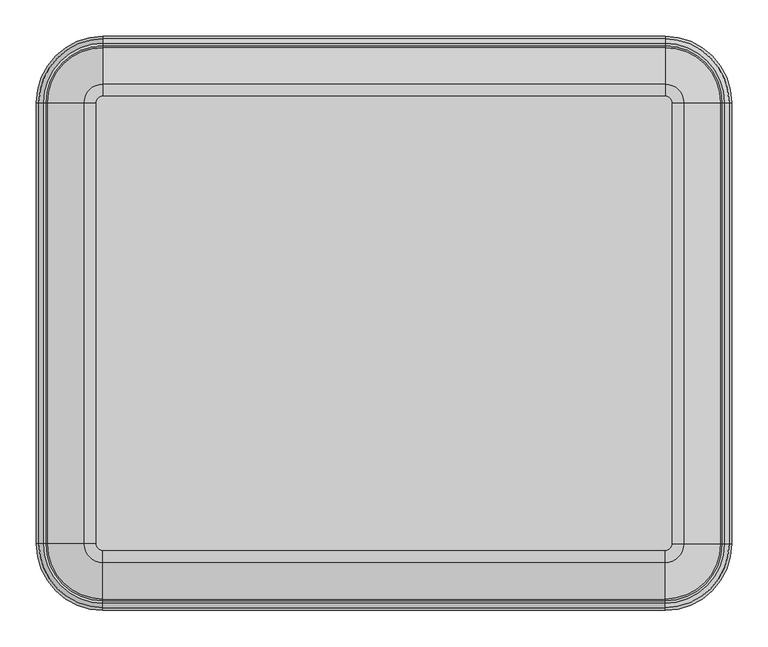
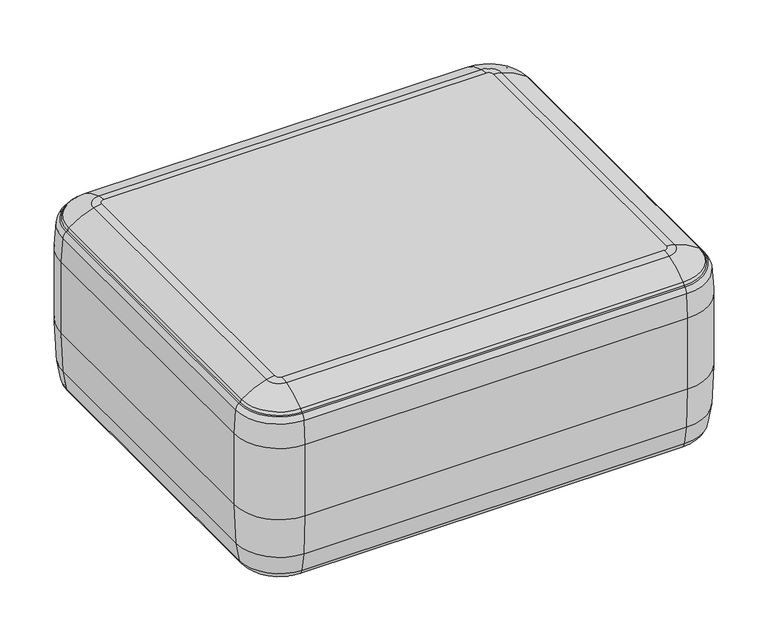
"""IFC4 building model written with IfcOpenShell, lengths in millimetres: furniture geometry."""

from ifc_helpers import new_model, si_unit, point, frame, origin, origin_with_axes, place, context, project, spatial, polyline, circle_curve, ellipse_curve, trimmed, outline, extrude, source, transform, mapped, element, save
from ifc_brep_helpers import plane_surface, cylinder_surface, revolved_surface, advanced_brep


def furniture_dccef0ce(model_context):
    return source(origin(), model_context, "Body", "SolidModel", [
        advanced_brep(
        [(-387.3387268, 391.2847288, 66.6428027), (-475.0405417, 303.5829138, 66.6428027), (-478.7787268, 303.5829138, 150.0055551), (-387.3387268, 395.0229138, 150.0055551), (-387.3387268, 384.0850563, 26.6784113), (-467.8408692, 303.5829138, 26.6784113), (-387.3387268, 362.6354646, 10.3055551), (-446.3912775, 303.5829138, 10.3055551), (386.8726563, 395.0229138, 150.0055551), (386.8726563, 391.2847288, 66.6428027), (386.8726563, 384.0850563, 26.6784113), (386.8726563, 362.6354646, 10.3055551), (478.3126563, 303.5829138, 150.0055551), (474.5744712, 303.5829138, 66.6428027), (467.3747987, 303.5829138, 26.6784113), (445.925207, 303.5829138, 10.3055551), (478.3126563, -303.5829138, 150.0055551), (474.5744712, -303.5829138, 66.6428027), (467.3747987, -303.5829138, 26.6784113), (445.925207, -303.5829138, 10.3055551), (386.8726563, -395.0229138, 150.0055551), (386.8726563, -391.2847288, 66.6428027), (386.8726563, -384.0850563, 26.6784113), (386.8726563, -362.6354646, 10.3055551), (-387.3387268, -395.0229138, 150.0055551), (-387.3387268, -391.2847288, 66.6428027), (-387.3387268, -384.0850563, 26.6784113), (-387.3387268, -362.6354646, 10.3055551), (-478.7787268, -303.5829138, 150.0055551), (-475.0405417, -303.5829138, 66.6428027), (-467.8408692, -303.5829138, 26.6784113), (-446.3912775, -303.5829138, 10.3055551), (-396.2287268, 303.5829138, 397.6555551), (-396.2287268, -303.5829138, 397.6555551), (-387.3387268, -312.4729138, 397.6555551), (386.8726563, -312.4729138, 397.6555551), (395.7626563, -303.5829138, 397.6555551), (395.7626563, 303.5829138, 397.6555551), (386.8726563, 312.4729138, 397.6555551), (-387.3387268, 312.4729138, 397.6555551), (-387.3387268, 329.1183199, 395.3686884), (-412.8741329, 303.5829138, 395.3686884), (-387.3387268, 379.4573105, 369.9277622), (-463.2131235, 303.5829138, 369.9277622), (-387.3387268, 391.4318128, 352.1420231), (-475.1876258, 303.5829138, 352.1420231), (-469.1163141, 303.5829138, 363.2430683), (-387.3387268, 385.3605011, 363.2430683), (-387.3387268, 395.0229138, 302.4055551), (-478.7787268, 303.5829138, 302.4055551), (386.8726563, 329.1183199, 395.3686884), (386.8726563, 379.4573105, 369.9277622), (386.8726563, 385.3605011, 363.2430683), (386.8726563, 391.4318128, 352.1420231), (386.8726563, 395.0229138, 302.4055551), (412.4080624, 303.5829138, 395.3686884), (462.747053, 303.5829138, 369.9277622), (468.6502436, 303.5829138, 363.2430683), (474.7215553, 303.5829138, 352.1420231), (478.3126563, 303.5829138, 302.4055551), (412.4080624, -303.5829138, 395.3686884), (462.747053, -303.5829138, 369.9277622), (468.6502436, -303.5829138, 363.2430683), (474.7215553, -303.5829138, 352.1420231), (478.3126563, -303.5829138, 302.4055551), (386.8726563, -329.1183199, 395.3686884), (386.8726563, -379.4573105, 369.9277622), (386.8726563, -385.3605011, 363.2430683), (386.8726563, -391.4318128, 352.1420231), (386.8726563, -395.0229138, 302.4055551), (-387.3387268, -329.1183199, 395.3686884), (-387.3387268, -379.4573105, 369.9277622), (-387.3387268, -385.3605011, 363.2430683), (-387.3387268, -391.4318128, 352.1420231), (-387.3387268, -395.0229138, 302.4055551), (-412.8741329, -303.5829138, 395.3686884), (-463.2131235, -303.5829138, 369.9277622), (-469.1163141, -303.5829138, 363.2430683), (-475.1876258, -303.5829138, 352.1420231), (-478.7787268, -303.5829138, 302.4055551), (-387.3387268, 381.4510186, 363.5559782), (-465.2068316, 303.5829138, 363.5559782), (386.8726563, 381.4510186, 363.5559782), (464.7407611, 303.5829138, 363.5559782), (464.7407611, -303.5829138, 363.5559782), (386.8726563, -381.4510186, 363.5559782), (-387.3387268, -381.4510186, 363.5559782), (-465.2068316, -303.5829138, 363.5559782)],
        [
            (0, 1, circle_curve(frame((-387.3387268, 303.5829138, 66.6428027), z_axis=(0.0, 0.0, 1.0), x_axis=(-1.0, 0.0, 0.0)), 87.7018149)),
            (1, 2, circle_curve(frame((452.5987211, 303.5829138, 150.0055551), z_axis=(0.0, 1.0, 0.0), x_axis=(-1.0, 0.0, 0.0)), 931.3774478)),
            (2, 3, circle_curve(frame((-387.3387268, 303.5829138, 150.0055551), z_axis=(0.0, 0.0, -1.0), x_axis=(-1.0, 0.0, 0.0)), 91.44)),
            (3, 0, circle_curve(frame((-387.3387268, -536.354534, 150.0055551), z_axis=(-1.0, 0.0, 0.0), x_axis=(0.0, 1.0, 0.0)), 931.3774478)),
            (0, 4, circle_curve(frame((-387.3387268, 162.7824817, 87.177268), z_axis=(-1.0, 0.0, 0.0), x_axis=(0.0, 1.0, 0.0)), 229.4230615)),
            (4, 5, circle_curve(frame((-387.3387268, 303.5829138, 26.6784113), z_axis=(0.0, 0.0, 1.0), x_axis=(-1.0, 0.0, 0.0)), 80.5021425)),
            (5, 1, circle_curve(frame((-246.5382947, 303.5829138, 87.177268), z_axis=(0.0, 1.0, 0.0), x_axis=(-1.0, 0.0, 0.0)), 229.4230615)),
            (4, 6, circle_curve(frame((-387.3387268, 362.6354646, 32.5422191), z_axis=(-1.0, 0.0, 0.0), x_axis=(0.0, 1.0, 0.0)), 22.236664)),
            (6, 7, circle_curve(frame((-387.3387268, 303.5829138, 10.3055551), z_axis=(0.0, 0.0, 1.0), x_axis=(-1.0, 0.0, 0.0)), 59.0525507)),
            (7, 5, circle_curve(frame((-446.3912775, 303.5829138, 32.5422191), z_axis=(0.0, 1.0, 0.0), x_axis=(-1.0, 0.0, 0.0)), 22.236664)),
            (3, 8),
            (8, 9, circle_curve(frame((386.8726563, -536.354534, 150.0055551), z_axis=(-1.0, 0.0, 0.0), x_axis=(0.0, 1.0, 0.0)), 931.3774478)),
            (9, 0),
            (9, 10, circle_curve(frame((386.8726563, 162.7824817, 87.177268), z_axis=(-1.0, 0.0, 0.0), x_axis=(0.0, 1.0, 0.0)), 229.4230615)),
            (10, 4),
            (10, 11, circle_curve(frame((386.8726563, 362.6354646, 32.5422191), z_axis=(-1.0, 0.0, 0.0), x_axis=(0.0, 1.0, 0.0)), 22.236664)),
            (11, 6),
            (8, 12, circle_curve(frame((386.8726563, 303.5829138, 150.0055551), z_axis=(0.0, 0.0, -1.0), x_axis=(0.0, 1.0, 0.0)), 91.44)),
            (12, 13, circle_curve(frame((-453.0647915, 303.5829138, 150.0055551), z_axis=(0.0, 1.0, 0.0), x_axis=(1.0, 0.0, 0.0)), 931.3774478)),
            (13, 9, circle_curve(frame((386.8726563, 303.5829138, 66.6428027), z_axis=(0.0, 0.0, 1.0), x_axis=(0.0, 1.0, 0.0)), 87.7018149)),
            (13, 14, circle_curve(frame((246.0722242, 303.5829138, 87.177268), z_axis=(0.0, 1.0, 0.0), x_axis=(1.0, 0.0, 0.0)), 229.4230615)),
            (14, 10, circle_curve(frame((386.8726563, 303.5829138, 26.6784113), z_axis=(0.0, 0.0, 1.0), x_axis=(0.0, 1.0, 0.0)), 80.5021425)),
            (14, 15, circle_curve(frame((445.925207, 303.5829138, 32.5422191), z_axis=(0.0, 1.0, 0.0), x_axis=(1.0, 0.0, 0.0)), 22.236664)),
            (15, 11, circle_curve(frame((386.8726563, 303.5829138, 10.3055551), z_axis=(0.0, 0.0, 1.0), x_axis=(0.0, 1.0, 0.0)), 59.0525507)),
            (12, 16),
            (16, 17, circle_curve(frame((-453.0647915, -303.5829138, 150.0055551), z_axis=(0.0, 1.0, 0.0), x_axis=(1.0, 0.0, 0.0)), 931.3774478)),
            (17, 13),
            (17, 18, circle_curve(frame((246.0722242, -303.5829138, 87.177268), z_axis=(0.0, 1.0, 0.0), x_axis=(1.0, 0.0, 0.0)), 229.4230615)),
            (18, 14),
            (18, 19, circle_curve(frame((445.925207, -303.5829138, 32.5422191), z_axis=(0.0, 1.0, 0.0), x_axis=(1.0, 0.0, 0.0)), 22.236664)),
            (19, 15),
            (16, 20, circle_curve(frame((386.8726563, -303.5829138, 150.0055551), z_axis=(0.0, 0.0, -1.0), x_axis=(1.0, 0.0, 0.0)), 91.44)),
            (20, 21, circle_curve(frame((386.8726563, 536.354534, 150.0055551), z_axis=(1.0, 0.0, 0.0), x_axis=(0.0, -1.0, 0.0)), 931.3774478)),
            (21, 17, circle_curve(frame((386.8726563, -303.5829138, 66.6428027), z_axis=(0.0, 0.0, 1.0), x_axis=(1.0, 0.0, 0.0)), 87.7018149)),
            (21, 22, circle_curve(frame((386.8726563, -162.7824817, 87.177268), z_axis=(1.0, 0.0, 0.0), x_axis=(0.0, -1.0, 0.0)), 229.4230615)),
            (22, 18, circle_curve(frame((386.8726563, -303.5829138, 26.6784113), z_axis=(0.0, 0.0, 1.0), x_axis=(1.0, 0.0, 0.0)), 80.5021425)),
            (22, 23, circle_curve(frame((386.8726563, -362.6354646, 32.5422191), z_axis=(1.0, 0.0, 0.0), x_axis=(0.0, -1.0, 0.0)), 22.236664)),
            (23, 19, circle_curve(frame((386.8726563, -303.5829138, 10.3055551), z_axis=(0.0, 0.0, 1.0), x_axis=(1.0, 0.0, 0.0)), 59.0525507)),
            (20, 24),
            (24, 25, circle_curve(frame((-387.3387268, 536.354534, 150.0055551), z_axis=(1.0, 0.0, 0.0), x_axis=(0.0, -1.0, 0.0)), 931.3774478)),
            (25, 21),
            (25, 26, circle_curve(frame((-387.3387268, -162.7824817, 87.177268), z_axis=(1.0, 0.0, 0.0), x_axis=(0.0, -1.0, 0.0)), 229.4230615)),
            (26, 22),
            (26, 27, circle_curve(frame((-387.3387268, -362.6354646, 32.5422191), z_axis=(1.0, 0.0, 0.0), x_axis=(0.0, -1.0, 0.0)), 22.236664)),
            (27, 23),
            (24, 28, circle_curve(frame((-387.3387268, -303.5829138, 150.0055551), z_axis=(0.0, 0.0, -1.0), x_axis=(0.0, -1.0, 0.0)), 91.44)),
            (28, 29, circle_curve(frame((452.5987211, -303.5829138, 150.0055551), z_axis=(0.0, -1.0, 0.0), x_axis=(-1.0, 0.0, 0.0)), 931.3774478)),
            (29, 25, circle_curve(frame((-387.3387268, -303.5829138, 66.6428027), z_axis=(0.0, 0.0, 1.0), x_axis=(0.0, -1.0, 0.0)), 87.7018149)),
            (29, 30, circle_curve(frame((-246.5382947, -303.5829138, 87.177268), z_axis=(0.0, -1.0, 0.0), x_axis=(-1.0, 0.0, 0.0)), 229.4230615)),
            (30, 26, circle_curve(frame((-387.3387268, -303.5829138, 26.6784113), z_axis=(0.0, 0.0, 1.0), x_axis=(0.0, -1.0, 0.0)), 80.5021425)),
            (30, 31, circle_curve(frame((-446.3912775, -303.5829138, 32.5422191), z_axis=(0.0, -1.0, 0.0), x_axis=(-1.0, 0.0, 0.0)), 22.236664)),
            (31, 27, circle_curve(frame((-387.3387268, -303.5829138, 10.3055551), z_axis=(0.0, 0.0, 1.0), x_axis=(0.0, -1.0, 0.0)), 59.0525507)),
            (1, 29),
            (28, 2),
            (5, 30),
            (7, 31),
            (32, 33),
            (33, 34, circle_curve(frame((-387.3387268, -303.5829138, 397.6555551), z_axis=(0.0, 0.0, 1.0), x_axis=(0.0, -1.0, 0.0)), 8.89)),
            (34, 35),
            (35, 36, circle_curve(frame((386.8726563, -303.5829138, 397.6555551), z_axis=(0.0, 0.0, 1.0), x_axis=(1.0, 0.0, 0.0)), 8.89)),
            (36, 37),
            (37, 38, circle_curve(frame((386.8726563, 303.5829138, 397.6555551), z_axis=(0.0, 0.0, 1.0), x_axis=(0.0, 1.0, 0.0)), 8.89)),
            (38, 39),
            (39, 32, circle_curve(frame((-387.3387268, 303.5829138, 397.6555551), z_axis=(0.0, 0.0, 1.0), x_axis=(-1.0, 0.0, 0.0)), 8.89)),
            (39, 40, circle_curve(frame((-387.3387268, 312.4729138, 335.9337006), z_axis=(-1.0, 0.0, 0.0), x_axis=(0.0, 1.0, 0.0)), 61.7218545)),
            (40, 41, circle_curve(frame((-387.3387268, 303.5829138, 395.3686884), z_axis=(0.0, 0.0, 1.0), x_axis=(-1.0, 0.0, 0.0)), 25.5354061)),
            (41, 32, circle_curve(frame((-396.2287268, 303.5829138, 335.9337006), z_axis=(0.0, 1.0, 0.0), x_axis=(-1.0, 0.0, 0.0)), 61.7218545)),
            (40, 42, circle_curve(frame((-387.3387268, 289.8452746, 255.1382274), z_axis=(-1.0, 0.0, 0.0), x_axis=(0.0, 1.0, 0.0)), 145.6260769)),
            (42, 43, circle_curve(frame((-387.3387268, 303.5829138, 369.9277622), z_axis=(0.0, 0.0, 1.0), x_axis=(-1.0, 0.0, 0.0)), 75.8743967)),
            (43, 41, circle_curve(frame((-373.6010876, 303.5829138, 255.1382274), z_axis=(0.0, 1.0, 0.0), x_axis=(-1.0, 0.0, 0.0)), 145.6260769)),
            (44, 45, circle_curve(frame((-387.3387268, 303.5829138, 352.1420231), z_axis=(0.0, 0.0, 1.0), x_axis=(-1.0, 0.0, 0.0)), 87.848899)),
            (45, 46, circle_curve(frame((-457.2393124, 303.5829138, 349.5366117), z_axis=(0.0, 1.0, 0.0), x_axis=(-1.0, 0.0, 0.0)), 18.1364308)),
            (46, 47, circle_curve(frame((-387.3387268, 303.5829138, 363.2430683), z_axis=(0.0, 0.0, -1.0), x_axis=(-1.0, 0.0, 0.0)), 81.7775873)),
            (47, 44, circle_curve(frame((-387.3387268, 373.4834994, 349.5366117), z_axis=(-1.0, 0.0, 0.0), x_axis=(0.0, 1.0, 0.0)), 18.1364308)),
            (44, 48, circle_curve(frame((-387.3387268, 48.8042689, 302.4055551), z_axis=(-1.0, 0.0, 0.0), x_axis=(0.0, 1.0, 0.0)), 346.2186449)),
            (48, 49, circle_curve(frame((-387.3387268, 303.5829138, 302.4055551), z_axis=(0.0, 0.0, 1.0), x_axis=(-1.0, 0.0, 0.0)), 91.44)),
            (49, 45, circle_curve(frame((-132.5600819, 303.5829138, 302.4055551), z_axis=(0.0, 1.0, 0.0), x_axis=(-1.0, 0.0, 0.0)), 346.2186449)),
            (2, 49),
            (48, 3),
            (38, 50, circle_curve(frame((386.8726563, 312.4729138, 335.9337006), z_axis=(-1.0, 0.0, 0.0), x_axis=(0.0, 1.0, 0.0)), 61.7218545)),
            (50, 40),
            (50, 51, circle_curve(frame((386.8726563, 289.8452746, 255.1382274), z_axis=(-1.0, 0.0, 0.0), x_axis=(0.0, 1.0, 0.0)), 145.6260769)),
            (51, 42),
            (47, 52),
            (52, 53, circle_curve(frame((386.8726563, 373.4834994, 349.5366117), z_axis=(-1.0, 0.0, 0.0), x_axis=(0.0, 1.0, 0.0)), 18.1364308)),
            (53, 44),
            (53, 54, circle_curve(frame((386.8726563, 48.8042689, 302.4055551), z_axis=(-1.0, 0.0, 0.0), x_axis=(0.0, 1.0, 0.0)), 346.2186449)),
            (54, 48),
            (54, 8),
            (37, 55, circle_curve(frame((395.7626563, 303.5829138, 335.9337006), z_axis=(0.0, 1.0, 0.0), x_axis=(1.0, 0.0, 0.0)), 61.7218545)),
            (55, 50, circle_curve(frame((386.8726563, 303.5829138, 395.3686884), z_axis=(0.0, 0.0, 1.0), x_axis=(0.0, 1.0, 0.0)), 25.5354061)),
            (55, 56, circle_curve(frame((373.1350171, 303.5829138, 255.1382274), z_axis=(0.0, 1.0, 0.0), x_axis=(1.0, 0.0, 0.0)), 145.6260769)),
            (56, 51, circle_curve(frame((386.8726563, 303.5829138, 369.9277622), z_axis=(0.0, 0.0, 1.0), x_axis=(0.0, 1.0, 0.0)), 75.8743967)),
            (52, 57, circle_curve(frame((386.8726563, 303.5829138, 363.2430683), z_axis=(0.0, 0.0, -1.0), x_axis=(0.0, 1.0, 0.0)), 81.7775873)),
            (57, 58, circle_curve(frame((456.7732419, 303.5829138, 349.5366117), z_axis=(0.0, 1.0, 0.0), x_axis=(1.0, 0.0, 0.0)), 18.1364308)),
            (58, 53, circle_curve(frame((386.8726563, 303.5829138, 352.1420231), z_axis=(0.0, 0.0, 1.0), x_axis=(0.0, 1.0, 0.0)), 87.848899)),
            (58, 59, circle_curve(frame((132.0940114, 303.5829138, 302.4055551), z_axis=(0.0, 1.0, 0.0), x_axis=(1.0, 0.0, 0.0)), 346.2186449)),
            (59, 54, circle_curve(frame((386.8726563, 303.5829138, 302.4055551), z_axis=(0.0, 0.0, 1.0), x_axis=(0.0, 1.0, 0.0)), 91.44)),
            (59, 12),
            (36, 60, circle_curve(frame((395.7626563, -303.5829138, 335.9337006), z_axis=(0.0, 1.0, 0.0), x_axis=(1.0, 0.0, 0.0)), 61.7218545)),
            (60, 55),
            (60, 61, circle_curve(frame((373.1350171, -303.5829138, 255.1382274), z_axis=(0.0, 1.0, 0.0), x_axis=(1.0, 0.0, 0.0)), 145.6260769)),
            (61, 56),
            (57, 62),
            (62, 63, circle_curve(frame((456.7732419, -303.5829138, 349.5366117), z_axis=(0.0, 1.0, 0.0), x_axis=(1.0, 0.0, 0.0)), 18.1364308)),
            (63, 58),
            (63, 64, circle_curve(frame((132.0940114, -303.5829138, 302.4055551), z_axis=(0.0, 1.0, 0.0), x_axis=(1.0, 0.0, 0.0)), 346.2186449)),
            (64, 59),
            (64, 16),
            (35, 65, circle_curve(frame((386.8726563, -312.4729138, 335.9337006), z_axis=(1.0, 0.0, 0.0), x_axis=(0.0, -1.0, 0.0)), 61.7218545)),
            (65, 60, circle_curve(frame((386.8726563, -303.5829138, 395.3686884), z_axis=(0.0, 0.0, 1.0), x_axis=(1.0, 0.0, 0.0)), 25.5354061)),
            (65, 66, circle_curve(frame((386.8726563, -289.8452746, 255.1382274), z_axis=(1.0, 0.0, 0.0), x_axis=(0.0, -1.0, 0.0)), 145.6260769)),
            (66, 61, circle_curve(frame((386.8726563, -303.5829138, 369.9277622), z_axis=(0.0, 0.0, 1.0), x_axis=(1.0, 0.0, 0.0)), 75.8743967)),
            (62, 67, circle_curve(frame((386.8726563, -303.5829138, 363.2430683), z_axis=(0.0, 0.0, -1.0), x_axis=(1.0, 0.0, 0.0)), 81.7775873)),
            (67, 68, circle_curve(frame((386.8726563, -373.4834994, 349.5366117), z_axis=(1.0, 0.0, 0.0), x_axis=(0.0, -1.0, 0.0)), 18.1364308)),
            (68, 63, circle_curve(frame((386.8726563, -303.5829138, 352.1420231), z_axis=(0.0, 0.0, 1.0), x_axis=(1.0, 0.0, 0.0)), 87.848899)),
            (68, 69, circle_curve(frame((386.8726563, -48.8042689, 302.4055551), z_axis=(1.0, 0.0, 0.0), x_axis=(0.0, -1.0, 0.0)), 346.2186449)),
            (69, 64, circle_curve(frame((386.8726563, -303.5829138, 302.4055551), z_axis=(0.0, 0.0, 1.0), x_axis=(1.0, 0.0, 0.0)), 91.44)),
            (69, 20),
            (34, 70, circle_curve(frame((-387.3387268, -312.4729138, 335.9337006), z_axis=(1.0, 0.0, 0.0), x_axis=(0.0, -1.0, 0.0)), 61.7218545)),
            (70, 65),
            (70, 71, circle_curve(frame((-387.3387268, -289.8452746, 255.1382274), z_axis=(1.0, 0.0, 0.0), x_axis=(0.0, -1.0, 0.0)), 145.6260769)),
            (71, 66),
            (67, 72),
            (72, 73, circle_curve(frame((-387.3387268, -373.4834994, 349.5366117), z_axis=(1.0, 0.0, 0.0), x_axis=(0.0, -1.0, 0.0)), 18.1364308)),
            (73, 68),
            (73, 74, circle_curve(frame((-387.3387268, -48.8042689, 302.4055551), z_axis=(1.0, 0.0, 0.0), x_axis=(0.0, -1.0, 0.0)), 346.2186449)),
            (74, 69),
            (74, 24),
            (33, 75, circle_curve(frame((-396.2287268, -303.5829138, 335.9337006), z_axis=(0.0, -1.0, 0.0), x_axis=(-1.0, 0.0, 0.0)), 61.7218545)),
            (75, 70, circle_curve(frame((-387.3387268, -303.5829138, 395.3686884), z_axis=(0.0, 0.0, 1.0), x_axis=(0.0, -1.0, 0.0)), 25.5354061)),
            (75, 76, circle_curve(frame((-373.6010876, -303.5829138, 255.1382274), z_axis=(0.0, -1.0, 0.0), x_axis=(-1.0, 0.0, 0.0)), 145.6260769)),
            (76, 71, circle_curve(frame((-387.3387268, -303.5829138, 369.9277622), z_axis=(0.0, 0.0, 1.0), x_axis=(0.0, -1.0, 0.0)), 75.8743967)),
            (72, 77, circle_curve(frame((-387.3387268, -303.5829138, 363.2430683), z_axis=(0.0, 0.0, -1.0), x_axis=(0.0, -1.0, 0.0)), 81.7775873)),
            (77, 78, circle_curve(frame((-457.2393124, -303.5829138, 349.5366117), z_axis=(0.0, -1.0, 0.0), x_axis=(-1.0, 0.0, 0.0)), 18.1364308)),
            (78, 73, circle_curve(frame((-387.3387268, -303.5829138, 352.1420231), z_axis=(0.0, 0.0, 1.0), x_axis=(0.0, -1.0, 0.0)), 87.848899)),
            (78, 79, circle_curve(frame((-132.5600819, -303.5829138, 302.4055551), z_axis=(0.0, -1.0, 0.0), x_axis=(-1.0, 0.0, 0.0)), 346.2186449)),
            (79, 74, circle_curve(frame((-387.3387268, -303.5829138, 302.4055551), z_axis=(0.0, 0.0, 1.0), x_axis=(0.0, -1.0, 0.0)), 91.44)),
            (79, 28),
            (41, 75),
            (43, 76),
            (45, 78),
            (77, 46),
            (49, 79),
            (42, 80, circle_curve(frame((-387.3387268, 375.8441184, 365.2994035), z_axis=(-1.0, 0.0, 0.0), x_axis=(0.0, -1.0, 0.0)), 5.8717001)),
            (80, 81, circle_curve(frame((-387.3387268, 303.5829138, 363.5559782), z_axis=(0.0, 0.0, 1.0), x_axis=(-1.0, 0.0, 0.0)), 77.8681048)),
            (81, 43, circle_curve(frame((-459.5999313, 303.5829138, 365.2994035), z_axis=(0.0, 1.0, 0.0), x_axis=(1.0, 0.0, 0.0)), 5.8717001)),
            (46, 81, circle_curve(frame((-466.9488472, 303.5829138, 360.7417392), z_axis=(0.0, 1.0, 0.0), x_axis=(1.0, 0.0, 0.0)), 3.3097674)),
            (80, 47, circle_curve(frame((-387.3387268, 383.1930343, 360.7417392), z_axis=(-1.0, 0.0, 0.0), x_axis=(0.0, -1.0, 0.0)), 3.3097674)),
            (51, 82, circle_curve(frame((386.8726563, 375.8441184, 365.2994035), z_axis=(-1.0, 0.0, 0.0), x_axis=(0.0, -1.0, 0.0)), 5.8717001)),
            (82, 80),
            (82, 52, circle_curve(frame((386.8726563, 383.1930343, 360.7417392), z_axis=(-1.0, 0.0, 0.0), x_axis=(0.0, -1.0, 0.0)), 3.3097674)),
            (56, 83, circle_curve(frame((459.1338608, 303.5829138, 365.2994035), z_axis=(0.0, 1.0, 0.0), x_axis=(-1.0, 0.0, 0.0)), 5.8717001)),
            (83, 82, circle_curve(frame((386.8726563, 303.5829138, 363.5559782), z_axis=(0.0, 0.0, 1.0), x_axis=(0.0, 1.0, 0.0)), 77.8681048)),
            (83, 57, circle_curve(frame((466.4827767, 303.5829138, 360.7417392), z_axis=(0.0, 1.0, 0.0), x_axis=(-1.0, 0.0, 0.0)), 3.3097674)),
            (61, 84, circle_curve(frame((459.1338608, -303.5829138, 365.2994035), z_axis=(0.0, 1.0, 0.0), x_axis=(-1.0, 0.0, 0.0)), 5.8717001)),
            (84, 83),
            (84, 62, circle_curve(frame((466.4827767, -303.5829138, 360.7417392), z_axis=(0.0, 1.0, 0.0), x_axis=(-1.0, 0.0, 0.0)), 3.3097674)),
            (66, 85, circle_curve(frame((386.8726563, -375.8441184, 365.2994035), z_axis=(1.0, 0.0, 0.0), x_axis=(0.0, 1.0, 0.0)), 5.8717001)),
            (85, 84, circle_curve(frame((386.8726563, -303.5829138, 363.5559782), z_axis=(0.0, 0.0, 1.0), x_axis=(1.0, 0.0, 0.0)), 77.8681048)),
            (85, 67, circle_curve(frame((386.8726563, -383.1930343, 360.7417392), z_axis=(1.0, 0.0, 0.0), x_axis=(0.0, 1.0, 0.0)), 3.3097674)),
            (71, 86, circle_curve(frame((-387.3387268, -375.8441184, 365.2994035), z_axis=(1.0, 0.0, 0.0), x_axis=(0.0, 1.0, 0.0)), 5.8717001)),
            (86, 85),
            (86, 72, circle_curve(frame((-387.3387268, -383.1930343, 360.7417392), z_axis=(1.0, 0.0, 0.0), x_axis=(0.0, 1.0, 0.0)), 3.3097674)),
            (76, 87, circle_curve(frame((-459.5999313, -303.5829138, 365.2994035), z_axis=(0.0, -1.0, 0.0), x_axis=(1.0, 0.0, 0.0)), 5.8717001)),
            (87, 86, circle_curve(frame((-387.3387268, -303.5829138, 363.5559782), z_axis=(0.0, 0.0, 1.0), x_axis=(0.0, -1.0, 0.0)), 77.8681048)),
            (87, 77, circle_curve(frame((-466.9488472, -303.5829138, 360.7417392), z_axis=(0.0, -1.0, 0.0), x_axis=(1.0, 0.0, 0.0)), 3.3097674)),
            (81, 87),
        ],
        [
            revolved_surface(trimmed(ellipse_curve(frame((452.5987211, 303.5829138, 150.0055551), z_axis=(0.0, -1.0, 0.0), x_axis=(-1.0, 0.0, 0.0)), 931.3774478, 931.3774478), [point((-478.7787268, 303.5829138, 150.0055551))], [point((-475.0405417, 303.5829138, 66.6428027))], True, "CARTESIAN"), (-387.3387268, 303.5829138, 10.3055551), (0.0, 0.0, -1.0)),
            revolved_surface(trimmed(ellipse_curve(frame((-246.5382947, 303.5829138, 87.177268), z_axis=(0.0, -1.0, 0.0), x_axis=(-1.0, 0.0, 0.0)), 229.4230615, 229.4230615), [point((-475.0405417, 303.5829138, 66.6428027))], [point((-467.8408692, 303.5829138, 26.6784113))], True, "CARTESIAN"), (-387.3387268, 303.5829138, 10.3055551), (0.0, 0.0, -1.0)),
            revolved_surface(trimmed(ellipse_curve(frame((-446.3912775, 303.5829138, 32.5422191), z_axis=(0.0, -1.0, 0.0), x_axis=(-1.0, 0.0, 0.0)), 22.236664, 22.236664), [point((-467.8408692, 303.5829138, 26.6784113))], [point((-446.3912775, 303.5829138, 10.3055551))], True, "CARTESIAN"), (-387.3387268, 303.5829138, 10.3055551), (0.0, 0.0, -1.0)),
            cylinder_surface(frame((-387.3387268, -536.354534, 150.0055551), z_axis=(-1.0, 0.0, 0.0), x_axis=(0.0, 1.0, 0.0)), 931.3774478),
            cylinder_surface(frame((-387.3387268, 162.7824817, 87.177268), z_axis=(-1.0, 0.0, 0.0), x_axis=(0.0, 1.0, 0.0)), 229.4230615),
            cylinder_surface(frame((-387.3387268, 362.6354646, 32.5422191), z_axis=(-1.0, 0.0, 0.0), x_axis=(0.0, 1.0, 0.0)), 22.236664),
            revolved_surface(trimmed(ellipse_curve(frame((386.8726563, -536.354534, 150.0055551), z_axis=(-1.0, 0.0, 0.0), x_axis=(0.0, 1.0, 0.0)), 931.3774478, 931.3774478), [point((386.8726563, 395.0229138, 150.0055551))], [point((386.8726563, 391.2847288, 66.6428027))], True, "CARTESIAN"), (386.8726563, 303.5829138, 10.3055551), (0.0, 0.0, -1.0)),
            revolved_surface(trimmed(ellipse_curve(frame((386.8726563, 162.7824817, 87.177268), z_axis=(-1.0, 0.0, 0.0), x_axis=(0.0, 1.0, 0.0)), 229.4230615, 229.4230615), [point((386.8726563, 391.2847288, 66.6428027))], [point((386.8726563, 384.0850563, 26.6784113))], True, "CARTESIAN"), (386.8726563, 303.5829138, 10.3055551), (0.0, 0.0, -1.0)),
            revolved_surface(trimmed(ellipse_curve(frame((386.8726563, 362.6354646, 32.5422191), z_axis=(-1.0, 0.0, 0.0), x_axis=(0.0, 1.0, 0.0)), 22.236664, 22.236664), [point((386.8726563, 384.0850563, 26.6784113))], [point((386.8726563, 362.6354646, 10.3055551))], True, "CARTESIAN"), (386.8726563, 303.5829138, 10.3055551), (0.0, 0.0, -1.0)),
            cylinder_surface(frame((-453.0647915, 303.5829138, 150.0055551), z_axis=(0.0, 1.0, 0.0), x_axis=(1.0, 0.0, 0.0)), 931.3774478),
            cylinder_surface(frame((246.0722242, 303.5829138, 87.177268), z_axis=(0.0, 1.0, 0.0), x_axis=(1.0, 0.0, 0.0)), 229.4230615),
            cylinder_surface(frame((445.925207, 303.5829138, 32.5422191), z_axis=(0.0, 1.0, 0.0), x_axis=(1.0, 0.0, 0.0)), 22.236664),
            revolved_surface(trimmed(ellipse_curve(frame((-453.0647915, -303.5829138, 150.0055551), z_axis=(0.0, 1.0, 0.0), x_axis=(1.0, 0.0, 0.0)), 931.3774478, 931.3774478), [point((478.3126563, -303.5829138, 150.0055551))], [point((474.5744712, -303.5829138, 66.6428027))], True, "CARTESIAN"), (386.8726563, -303.5829138, 10.3055551), (0.0, 0.0, -1.0)),
            revolved_surface(trimmed(ellipse_curve(frame((246.0722242, -303.5829138, 87.177268), z_axis=(0.0, 1.0, 0.0), x_axis=(1.0, 0.0, 0.0)), 229.4230615, 229.4230615), [point((474.5744712, -303.5829138, 66.6428027))], [point((467.3747987, -303.5829138, 26.6784113))], True, "CARTESIAN"), (386.8726563, -303.5829138, 10.3055551), (0.0, 0.0, -1.0)),
            revolved_surface(trimmed(ellipse_curve(frame((445.925207, -303.5829138, 32.5422191), z_axis=(0.0, 1.0, 0.0), x_axis=(1.0, 0.0, 0.0)), 22.236664, 22.236664), [point((467.3747987, -303.5829138, 26.6784113))], [point((445.925207, -303.5829138, 10.3055551))], True, "CARTESIAN"), (386.8726563, -303.5829138, 10.3055551), (0.0, 0.0, -1.0)),
            cylinder_surface(frame((386.8726563, 536.354534, 150.0055551), z_axis=(1.0, 0.0, 0.0), x_axis=(0.0, -1.0, 0.0)), 931.3774478),
            cylinder_surface(frame((386.8726563, -162.7824817, 87.177268), z_axis=(1.0, 0.0, 0.0), x_axis=(0.0, -1.0, 0.0)), 229.4230615),
            cylinder_surface(frame((386.8726563, -362.6354646, 32.5422191), z_axis=(1.0, 0.0, 0.0), x_axis=(0.0, -1.0, 0.0)), 22.236664),
            revolved_surface(trimmed(ellipse_curve(frame((-387.3387268, 536.354534, 150.0055551), z_axis=(1.0, 0.0, 0.0), x_axis=(0.0, -1.0, 0.0)), 931.3774478, 931.3774478), [point((-387.3387268, -395.0229138, 150.0055551))], [point((-387.3387268, -391.2847288, 66.6428027))], True, "CARTESIAN"), (-387.3387268, -303.5829138, 10.3055551), (0.0, 0.0, -1.0)),
            revolved_surface(trimmed(ellipse_curve(frame((-387.3387268, -162.7824817, 87.177268), z_axis=(1.0, 0.0, 0.0), x_axis=(0.0, -1.0, 0.0)), 229.4230615, 229.4230615), [point((-387.3387268, -391.2847288, 66.6428027))], [point((-387.3387268, -384.0850563, 26.6784113))], True, "CARTESIAN"), (-387.3387268, -303.5829138, 10.3055551), (0.0, 0.0, -1.0)),
            revolved_surface(trimmed(ellipse_curve(frame((-387.3387268, -362.6354646, 32.5422191), z_axis=(1.0, 0.0, 0.0), x_axis=(0.0, -1.0, 0.0)), 22.236664, 22.236664), [point((-387.3387268, -384.0850563, 26.6784113))], [point((-387.3387268, -362.6354646, 10.3055551))], True, "CARTESIAN"), (-387.3387268, -303.5829138, 10.3055551), (0.0, 0.0, -1.0)),
            cylinder_surface(frame((452.5987211, -303.5829138, 150.0055551), z_axis=(0.0, -1.0, 0.0), x_axis=(-1.0, 0.0, 0.0)), 931.3774478),
            cylinder_surface(frame((-246.5382947, -303.5829138, 87.177268), z_axis=(0.0, -1.0, 0.0), x_axis=(-1.0, 0.0, 0.0)), 229.4230615),
            cylinder_surface(frame((-446.3912775, -303.5829138, 32.5422191), z_axis=(0.0, -1.0, 0.0), x_axis=(-1.0, 0.0, 0.0)), 22.236664),
            plane_surface(frame((-446.3912775, -303.5829138, 10.3055551), z_axis=(0.0, 0.0, -1.0), x_axis=(0.0, 1.0, 0.0))),
            plane_surface(frame((-389.8787268, -303.5829138, 397.6555551), z_axis=(0.0, 0.0, 1.0), x_axis=(0.0, 1.0, 0.0))),
            revolved_surface(trimmed(ellipse_curve(frame((-396.2287268, 303.5829138, 335.9337006), z_axis=(0.0, -1.0, 0.0), x_axis=(-1.0, 0.0, 0.0)), 61.7218545, 61.7218545), [point((-396.2287268, 303.5829138, 397.6555551))], [point((-412.8741329, 303.5829138, 395.3686884))], True, "CARTESIAN"), (-387.3387268, 303.5829138, 10.3055551), (0.0, 0.0, -1.0)),
            revolved_surface(trimmed(ellipse_curve(frame((-373.6010876, 303.5829138, 255.1382274), z_axis=(0.0, -1.0, 0.0), x_axis=(-1.0, 0.0, 0.0)), 145.6260769, 145.6260769), [point((-412.8741329, 303.5829138, 395.3686884))], [point((-463.2131235, 303.5829138, 369.9277622))], True, "CARTESIAN"), (-387.3387268, 303.5829138, 10.3055551), (0.0, 0.0, -1.0)),
            revolved_surface(trimmed(ellipse_curve(frame((-457.2393124, 303.5829138, 349.5366117), z_axis=(0.0, -1.0, 0.0), x_axis=(-1.0, 0.0, 0.0)), 18.1364308, 18.1364308), [point((-469.1163141, 303.5829138, 363.2430683))], [point((-475.1876258, 303.5829138, 352.1420231))], True, "CARTESIAN"), (-387.3387268, 303.5829138, 10.3055551), (0.0, 0.0, -1.0)),
            revolved_surface(trimmed(ellipse_curve(frame((-132.5600819, 303.5829138, 302.4055551), z_axis=(0.0, -1.0, 0.0), x_axis=(-1.0, 0.0, 0.0)), 346.2186449, 346.2186449), [point((-475.1876258, 303.5829138, 352.1420231))], [point((-478.7787268, 303.5829138, 302.4055551))], True, "CARTESIAN"), (-387.3387268, 303.5829138, 10.3055551), (0.0, 0.0, -1.0)),
            cylinder_surface(frame((-387.3387268, 303.5829138, 10.3055551), z_axis=(0.0, 0.0, -1.0), x_axis=(-1.0, 0.0, 0.0)), 91.44),
            cylinder_surface(frame((-387.3387268, 312.4729138, 335.9337006), z_axis=(-1.0, 0.0, 0.0), x_axis=(0.0, 1.0, 0.0)), 61.7218545),
            cylinder_surface(frame((-387.3387268, 289.8452746, 255.1382274), z_axis=(-1.0, 0.0, 0.0), x_axis=(0.0, 1.0, 0.0)), 145.6260769),
            cylinder_surface(frame((-387.3387268, 373.4834994, 349.5366117), z_axis=(-1.0, 0.0, 0.0), x_axis=(0.0, 1.0, 0.0)), 18.1364308),
            cylinder_surface(frame((-387.3387268, 48.8042689, 302.4055551), z_axis=(-1.0, 0.0, 0.0), x_axis=(0.0, 1.0, 0.0)), 346.2186449),
            plane_surface(frame((-387.3387268, 395.0229138, 302.4055551), z_axis=(0.0, 1.0, 0.0), x_axis=(1.0, 0.0, 0.0))),
            revolved_surface(trimmed(ellipse_curve(frame((386.8726563, 312.4729138, 335.9337006), z_axis=(-1.0, 0.0, 0.0), x_axis=(0.0, 1.0, 0.0)), 61.7218545, 61.7218545), [point((386.8726563, 312.4729138, 397.6555551))], [point((386.8726563, 329.1183199, 395.3686884))], True, "CARTESIAN"), (386.8726563, 303.5829138, 10.3055551), (0.0, 0.0, -1.0)),
            revolved_surface(trimmed(ellipse_curve(frame((386.8726563, 289.8452746, 255.1382274), z_axis=(-1.0, 0.0, 0.0), x_axis=(0.0, 1.0, 0.0)), 145.6260769, 145.6260769), [point((386.8726563, 329.1183199, 395.3686884))], [point((386.8726563, 379.4573105, 369.9277622))], True, "CARTESIAN"), (386.8726563, 303.5829138, 10.3055551), (0.0, 0.0, -1.0)),
            revolved_surface(trimmed(ellipse_curve(frame((386.8726563, 373.4834994, 349.5366117), z_axis=(-1.0, 0.0, 0.0), x_axis=(0.0, 1.0, 0.0)), 18.1364308, 18.1364308), [point((386.8726563, 385.3605011, 363.2430683))], [point((386.8726563, 391.4318128, 352.1420231))], True, "CARTESIAN"), (386.8726563, 303.5829138, 10.3055551), (0.0, 0.0, -1.0)),
            revolved_surface(trimmed(ellipse_curve(frame((386.8726563, 48.8042689, 302.4055551), z_axis=(-1.0, 0.0, 0.0), x_axis=(0.0, 1.0, 0.0)), 346.2186449, 346.2186449), [point((386.8726563, 391.4318128, 352.1420231))], [point((386.8726563, 395.0229138, 302.4055551))], True, "CARTESIAN"), (386.8726563, 303.5829138, 10.3055551), (0.0, 0.0, -1.0)),
            cylinder_surface(frame((386.8726563, 303.5829138, 10.3055551), z_axis=(0.0, 0.0, -1.0), x_axis=(0.0, 1.0, 0.0)), 91.44),
            cylinder_surface(frame((395.7626563, 303.5829138, 335.9337006), z_axis=(0.0, 1.0, 0.0), x_axis=(1.0, 0.0, 0.0)), 61.7218545),
            cylinder_surface(frame((373.1350171, 303.5829138, 255.1382274), z_axis=(0.0, 1.0, 0.0), x_axis=(1.0, 0.0, 0.0)), 145.6260769),
            cylinder_surface(frame((456.7732419, 303.5829138, 349.5366117), z_axis=(0.0, 1.0, 0.0), x_axis=(1.0, 0.0, 0.0)), 18.1364308),
            cylinder_surface(frame((132.0940114, 303.5829138, 302.4055551), z_axis=(0.0, 1.0, 0.0), x_axis=(1.0, 0.0, 0.0)), 346.2186449),
            plane_surface(frame((478.3126563, 303.5829138, 302.4055551), z_axis=(1.0, 0.0, 0.0), x_axis=(0.0, -1.0, 0.0))),
            revolved_surface(trimmed(ellipse_curve(frame((395.7626563, -303.5829138, 335.9337006), z_axis=(0.0, 1.0, 0.0), x_axis=(1.0, 0.0, 0.0)), 61.7218545, 61.7218545), [point((395.7626563, -303.5829138, 397.6555551))], [point((412.4080624, -303.5829138, 395.3686884))], True, "CARTESIAN"), (386.8726563, -303.5829138, 10.3055551), (0.0, 0.0, -1.0)),
            revolved_surface(trimmed(ellipse_curve(frame((373.1350171, -303.5829138, 255.1382274), z_axis=(0.0, 1.0, 0.0), x_axis=(1.0, 0.0, 0.0)), 145.6260769, 145.6260769), [point((412.4080624, -303.5829138, 395.3686884))], [point((462.747053, -303.5829138, 369.9277622))], True, "CARTESIAN"), (386.8726563, -303.5829138, 10.3055551), (0.0, 0.0, -1.0)),
            revolved_surface(trimmed(ellipse_curve(frame((456.7732419, -303.5829138, 349.5366117), z_axis=(0.0, 1.0, 0.0), x_axis=(1.0, 0.0, 0.0)), 18.1364308, 18.1364308), [point((468.6502436, -303.5829138, 363.2430683))], [point((474.7215553, -303.5829138, 352.1420231))], True, "CARTESIAN"), (386.8726563, -303.5829138, 10.3055551), (0.0, 0.0, -1.0)),
            revolved_surface(trimmed(ellipse_curve(frame((132.0940114, -303.5829138, 302.4055551), z_axis=(0.0, 1.0, 0.0), x_axis=(1.0, 0.0, 0.0)), 346.2186449, 346.2186449), [point((474.7215553, -303.5829138, 352.1420231))], [point((478.3126563, -303.5829138, 302.4055551))], True, "CARTESIAN"), (386.8726563, -303.5829138, 10.3055551), (0.0, 0.0, -1.0)),
            cylinder_surface(frame((386.8726563, -303.5829138, 10.3055551), z_axis=(0.0, 0.0, -1.0), x_axis=(1.0, 0.0, 0.0)), 91.44),
            cylinder_surface(frame((386.8726563, -312.4729138, 335.9337006), z_axis=(1.0, 0.0, 0.0), x_axis=(0.0, -1.0, 0.0)), 61.7218545),
            cylinder_surface(frame((386.8726563, -289.8452746, 255.1382274), z_axis=(1.0, 0.0, 0.0), x_axis=(0.0, -1.0, 0.0)), 145.6260769),
            cylinder_surface(frame((386.8726563, -373.4834994, 349.5366117), z_axis=(1.0, 0.0, 0.0), x_axis=(0.0, -1.0, 0.0)), 18.1364308),
            cylinder_surface(frame((386.8726563, -48.8042689, 302.4055551), z_axis=(1.0, 0.0, 0.0), x_axis=(0.0, -1.0, 0.0)), 346.2186449),
            plane_surface(frame((386.8726563, -395.0229138, 302.4055551), z_axis=(0.0, -1.0, 0.0), x_axis=(-1.0, 0.0, 0.0))),
            revolved_surface(trimmed(ellipse_curve(frame((-387.3387268, -312.4729138, 335.9337006), z_axis=(1.0, 0.0, 0.0), x_axis=(0.0, -1.0, 0.0)), 61.7218545, 61.7218545), [point((-387.3387268, -312.4729138, 397.6555551))], [point((-387.3387268, -329.1183199, 395.3686884))], True, "CARTESIAN"), (-387.3387268, -303.5829138, 10.3055551), (0.0, 0.0, -1.0)),
            revolved_surface(trimmed(ellipse_curve(frame((-387.3387268, -289.8452746, 255.1382274), z_axis=(1.0, 0.0, 0.0), x_axis=(0.0, -1.0, 0.0)), 145.6260769, 145.6260769), [point((-387.3387268, -329.1183199, 395.3686884))], [point((-387.3387268, -379.4573105, 369.9277622))], True, "CARTESIAN"), (-387.3387268, -303.5829138, 10.3055551), (0.0, 0.0, -1.0)),
            revolved_surface(trimmed(ellipse_curve(frame((-387.3387268, -373.4834994, 349.5366117), z_axis=(1.0, 0.0, 0.0), x_axis=(0.0, -1.0, 0.0)), 18.1364308, 18.1364308), [point((-387.3387268, -385.3605011, 363.2430683))], [point((-387.3387268, -391.4318128, 352.1420231))], True, "CARTESIAN"), (-387.3387268, -303.5829138, 10.3055551), (0.0, 0.0, -1.0)),
            revolved_surface(trimmed(ellipse_curve(frame((-387.3387268, -48.8042689, 302.4055551), z_axis=(1.0, 0.0, 0.0), x_axis=(0.0, -1.0, 0.0)), 346.2186449, 346.2186449), [point((-387.3387268, -391.4318128, 352.1420231))], [point((-387.3387268, -395.0229138, 302.4055551))], True, "CARTESIAN"), (-387.3387268, -303.5829138, 10.3055551), (0.0, 0.0, -1.0)),
            cylinder_surface(frame((-387.3387268, -303.5829138, 10.3055551), z_axis=(0.0, 0.0, -1.0), x_axis=(0.0, -1.0, 0.0)), 91.44),
            cylinder_surface(frame((-396.2287268, -303.5829138, 335.9337006), z_axis=(0.0, -1.0, 0.0), x_axis=(-1.0, 0.0, 0.0)), 61.7218545),
            cylinder_surface(frame((-373.6010876, -303.5829138, 255.1382274), z_axis=(0.0, -1.0, 0.0), x_axis=(-1.0, 0.0, 0.0)), 145.6260769),
            cylinder_surface(frame((-457.2393124, -303.5829138, 349.5366117), z_axis=(0.0, -1.0, 0.0), x_axis=(-1.0, 0.0, 0.0)), 18.1364308),
            cylinder_surface(frame((-132.5600819, -303.5829138, 302.4055551), z_axis=(0.0, -1.0, 0.0), x_axis=(-1.0, 0.0, 0.0)), 346.2186449),
            plane_surface(frame((-478.7787268, -303.5829138, 302.4055551), z_axis=(-1.0, 0.0, 0.0), x_axis=(0.0, 1.0, 0.0))),
            revolved_surface(trimmed(ellipse_curve(frame((-459.5999313, 303.5829138, 365.2994035), z_axis=(0.0, -1.0, 0.0), x_axis=(1.0, 0.0, 0.0)), 5.8717001, 5.8717001), [point((-463.2131235, 303.5829138, 369.9277622))], [point((-465.2068316, 303.5829138, 363.5559782))], True, "CARTESIAN"), (-387.3387268, 303.5829138, 10.3055551), (0.0, 0.0, -1.0)),
            revolved_surface(trimmed(ellipse_curve(frame((-466.9488472, 303.5829138, 360.7417392), z_axis=(0.0, -1.0, 0.0), x_axis=(1.0, 0.0, 0.0)), 3.3097674, 3.3097674), [point((-465.2068316, 303.5829138, 363.5559782))], [point((-469.1163141, 303.5829138, 363.2430683))], True, "CARTESIAN"), (-387.3387268, 303.5829138, 10.3055551), (0.0, 0.0, -1.0)),
            cylinder_surface(frame((-387.3387268, 375.8441184, 365.2994035), z_axis=(-1.0, 0.0, 0.0), x_axis=(0.0, -1.0, 0.0)), 5.8717001),
            cylinder_surface(frame((-387.3387268, 383.1930343, 360.7417392), z_axis=(-1.0, 0.0, 0.0), x_axis=(0.0, -1.0, 0.0)), 3.3097674),
            revolved_surface(trimmed(ellipse_curve(frame((386.8726563, 375.8441184, 365.2994035), z_axis=(-1.0, 0.0, 0.0), x_axis=(0.0, -1.0, 0.0)), 5.8717001, 5.8717001), [point((386.8726563, 379.4573105, 369.9277622))], [point((386.8726563, 381.4510186, 363.5559782))], True, "CARTESIAN"), (386.8726563, 303.5829138, 10.3055551), (0.0, 0.0, -1.0)),
            revolved_surface(trimmed(ellipse_curve(frame((386.8726563, 383.1930343, 360.7417392), z_axis=(-1.0, 0.0, 0.0), x_axis=(0.0, -1.0, 0.0)), 3.3097674, 3.3097674), [point((386.8726563, 381.4510186, 363.5559782))], [point((386.8726563, 385.3605011, 363.2430683))], True, "CARTESIAN"), (386.8726563, 303.5829138, 10.3055551), (0.0, 0.0, -1.0)),
            cylinder_surface(frame((459.1338608, 303.5829138, 365.2994035), z_axis=(0.0, 1.0, 0.0), x_axis=(-1.0, 0.0, 0.0)), 5.8717001),
            cylinder_surface(frame((466.4827767, 303.5829138, 360.7417392), z_axis=(0.0, 1.0, 0.0), x_axis=(-1.0, 0.0, 0.0)), 3.3097674),
            revolved_surface(trimmed(ellipse_curve(frame((459.1338608, -303.5829138, 365.2994035), z_axis=(0.0, 1.0, 0.0), x_axis=(-1.0, 0.0, 0.0)), 5.8717001, 5.8717001), [point((462.747053, -303.5829138, 369.9277622))], [point((464.7407611, -303.5829138, 363.5559782))], True, "CARTESIAN"), (386.8726563, -303.5829138, 10.3055551), (0.0, 0.0, -1.0)),
            revolved_surface(trimmed(ellipse_curve(frame((466.4827767, -303.5829138, 360.7417392), z_axis=(0.0, 1.0, 0.0), x_axis=(-1.0, 0.0, 0.0)), 3.3097674, 3.3097674), [point((464.7407611, -303.5829138, 363.5559782))], [point((468.6502436, -303.5829138, 363.2430683))], True, "CARTESIAN"), (386.8726563, -303.5829138, 10.3055551), (0.0, 0.0, -1.0)),
            cylinder_surface(frame((386.8726563, -375.8441184, 365.2994035), z_axis=(1.0, 0.0, 0.0), x_axis=(0.0, 1.0, 0.0)), 5.8717001),
            cylinder_surface(frame((386.8726563, -383.1930343, 360.7417392), z_axis=(1.0, 0.0, 0.0), x_axis=(0.0, 1.0, 0.0)), 3.3097674),
            revolved_surface(trimmed(ellipse_curve(frame((-387.3387268, -375.8441184, 365.2994035), z_axis=(1.0, 0.0, 0.0), x_axis=(0.0, 1.0, 0.0)), 5.8717001, 5.8717001), [point((-387.3387268, -379.4573105, 369.9277622))], [point((-387.3387268, -381.4510186, 363.5559782))], True, "CARTESIAN"), (-387.3387268, -303.5829138, 10.3055551), (0.0, 0.0, -1.0)),
            revolved_surface(trimmed(ellipse_curve(frame((-387.3387268, -383.1930343, 360.7417392), z_axis=(1.0, 0.0, 0.0), x_axis=(0.0, 1.0, 0.0)), 3.3097674, 3.3097674), [point((-387.3387268, -381.4510186, 363.5559782))], [point((-387.3387268, -385.3605011, 363.2430683))], True, "CARTESIAN"), (-387.3387268, -303.5829138, 10.3055551), (0.0, 0.0, -1.0)),
            cylinder_surface(frame((-459.5999313, -303.5829138, 365.2994035), z_axis=(0.0, -1.0, 0.0), x_axis=(1.0, 0.0, 0.0)), 5.8717001),
            cylinder_surface(frame((-466.9488472, -303.5829138, 360.7417392), z_axis=(0.0, -1.0, 0.0), x_axis=(1.0, 0.0, 0.0)), 3.3097674),
        ],
        [
            (0, [[1, 2, 3, 4]]),
            (1, [[-1, 5, 6, 7]]),
            (2, [[-6, 8, 9, 10]]),
            (3, [[-4, 11, 12, 13]]),
            (4, [[-5, -13, 14, 15]]),
            (5, [[-8, -15, 16, 17]]),
            (6, [[-12, 18, 19, 20]]),
            (7, [[-14, -20, 21, 22]]),
            (8, [[-16, -22, 23, 24]]),
            (9, [[-19, 25, 26, 27]]),
            (10, [[-21, -27, 28, 29]]),
            (11, [[-23, -29, 30, 31]]),
            (12, [[-26, 32, 33, 34]]),
            (13, [[-28, -34, 35, 36]]),
            (14, [[-30, -36, 37, 38]]),
            (15, [[-33, 39, 40, 41]]),
            (16, [[-35, -41, 42, 43]]),
            (17, [[-37, -43, 44, 45]]),
            (18, [[-40, 46, 47, 48]]),
            (19, [[-42, -48, 49, 50]]),
            (20, [[-44, -50, 51, 52]]),
            (21, [[-2, 53, -47, 54]]),
            (22, [[-7, 55, -49, -53]]),
            (23, [[-10, 56, -51, -55]]),
            (24, [[-9, -17, -24, -31, -38, -45, -52, -56]]),
            (25, [[57, 58, 59, 60, 61, 62, 63, 64]]),
            (26, [[-64, 65, 66, 67]]),
            (27, [[-66, 68, 69, 70]]),
            (28, [[71, 72, 73, 74]]),
            (29, [[-71, 75, 76, 77]]),
            (30, [[-3, 78, -76, 79]]),
            (31, [[-63, 80, 81, -65]]),
            (32, [[-68, -81, 82, 83]]),
            (33, [[-74, 84, 85, 86]]),
            (34, [[-75, -86, 87, 88]]),
            (35, [[-11, -79, -88, 89]]),
            (36, [[-62, 90, 91, -80]]),
            (37, [[-82, -91, 92, 93]]),
            (38, [[-85, 94, 95, 96]]),
            (39, [[-87, -96, 97, 98]]),
            (40, [[-18, -89, -98, 99]]),
            (41, [[-61, 100, 101, -90]]),
            (42, [[-92, -101, 102, 103]]),
            (43, [[-95, 104, 105, 106]]),
            (44, [[-97, -106, 107, 108]]),
            (45, [[-25, -99, -108, 109]]),
            (46, [[-60, 110, 111, -100]]),
            (47, [[-102, -111, 112, 113]]),
            (48, [[-105, 114, 115, 116]]),
            (49, [[-107, -116, 117, 118]]),
            (50, [[-32, -109, -118, 119]]),
            (51, [[-59, 120, 121, -110]]),
            (52, [[-112, -121, 122, 123]]),
            (53, [[-115, 124, 125, 126]]),
            (54, [[-117, -126, 127, 128]]),
            (55, [[-39, -119, -128, 129]]),
            (56, [[-58, 130, 131, -120]]),
            (57, [[-122, -131, 132, 133]]),
            (58, [[-125, 134, 135, 136]]),
            (59, [[-127, -136, 137, 138]]),
            (60, [[-46, -129, -138, 139]]),
            (61, [[-57, -67, 140, -130]]),
            (62, [[-70, 141, -132, -140]]),
            (63, [[-72, 142, -135, 143]]),
            (64, [[-77, 144, -137, -142]]),
            (65, [[-54, -139, -144, -78]]),
            (66, [[-69, 145, 146, 147]]),
            (67, [[-73, 148, -146, 149]]),
            (68, [[-83, 150, 151, -145]]),
            (69, [[-84, -149, -151, 152]]),
            (70, [[-93, 153, 154, -150]]),
            (71, [[-94, -152, -154, 155]]),
            (72, [[-103, 156, 157, -153]]),
            (73, [[-104, -155, -157, 158]]),
            (74, [[-113, 159, 160, -156]]),
            (75, [[-114, -158, -160, 161]]),
            (76, [[-123, 162, 163, -159]]),
            (77, [[-124, -161, -163, 164]]),
            (78, [[-133, 165, 166, -162]]),
            (79, [[-134, -164, -166, 167]]),
            (80, [[-141, -147, 168, -165]]),
            (81, [[-143, -167, -168, -148]]),
        ],
    ),
        extrude(outline(polyline([(-321.8973939, 340.066452), (-321.8973939, 240.0664331), (-421.897104, 240.0664331), (-421.897104, 340.066452), (-321.8973939, 340.066452)])), origin_with_axes(), (0.0, 0.0, 1.0), 10.3055551),
        extrude(outline(polyline([(-321.834062, -340.066452), (-421.8337721, -340.066452), (-421.8337721, -240.0664331), (-321.834062, -240.0664331), (-321.834062, -340.066452)])), origin_with_axes(), (0.0, 0.0, 1.0), 10.3055551),
        extrude(outline(polyline([(321.8973939, 340.066452), (421.897104, 340.066452), (421.897104, 240.0664331), (321.8973939, 240.0664331), (321.8973939, 340.066452)])), origin_with_axes(), (0.0, 0.0, 1.0), 10.3055551),
        extrude(outline(polyline([(321.834062, -340.066452), (321.834062, -240.0664331), (421.8337721, -240.0664331), (421.8337721, -340.066452), (321.834062, -340.066452)])), origin_with_axes(), (0.0, 0.0, 1.0), 10.3055551),
    ])


if __name__ == "__main__":
    model = new_model("IFC4")
    model_context = context("Model", 3, world=origin())
    ifc_project = project(units=[si_unit("LENGTHUNIT", "METRE", prefix="MILLI")], contexts=[model_context])
    site = spatial("IfcSite", under=ifc_project)
    building = spatial("IfcBuilding", under=site)
    placement = place(None, origin())
    furniture_shape = furniture_dccef0ce(model_context)
    element("IfcFurniture", 1, at=placement, inside=building, context=model_context, shape_type="MappedRepresentation", body=[
        mapped(furniture_shape, transform((0.0, 0.0, 0.0), x_axis=(1.0, 0.0, 0.0), y_axis=(0.0, 1.0, 0.0), z_axis=(0.0, 0.0, 1.0))),
    ])
    save(model, "model.ifc")
